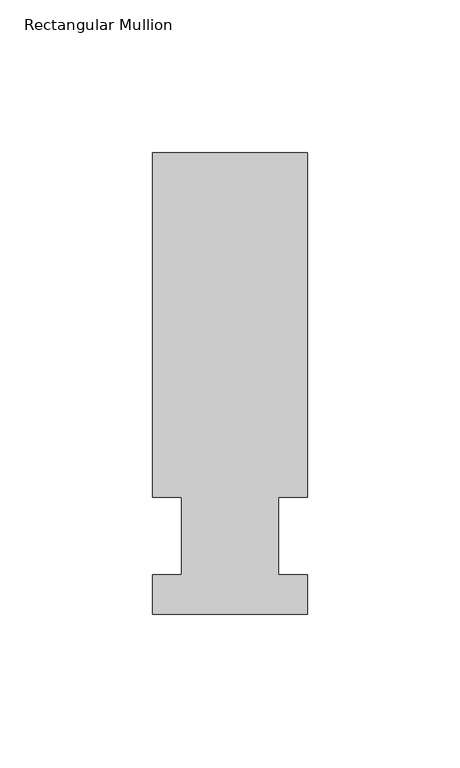
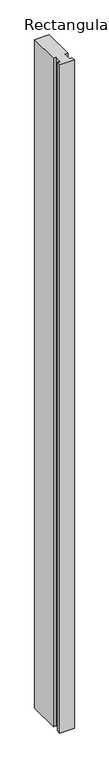
"""IFC4 building model written with IfcOpenShell, lengths in millimetres: member geometry, Rectangular Mullion."""

from ifc_helpers import new_model, si_unit, frame, origin, place, context, project, spatial, polyline, outline, extrude, source, transform, mapped, element, save


def rectangular_mullion_1aace051(model_context):
    return source(origin(), model_context, "Body", "SweptSolid", [
        extrude(outline(polyline([(-25.4, -25.5984375), (-25.4, -12.7), (-15.875, -12.7), (-15.875, 12.7), (-25.4, 12.7), (-25.4, 125.6109375), (25.4, 125.6109375), (25.4, 12.7), (15.875, 12.7), (15.875, -12.7), (25.4, -12.7), (25.4, -25.5984375), (-25.4, -25.5984375)])), frame((0.0, 0.0, -2463.8), z_axis=(0.0, 0.0, 1.0), x_axis=(1.0, 0.0, 0.0)), (0.0, 0.0, 1.0), 2463.8),
    ])


if __name__ == "__main__":
    model = new_model("IFC4")
    model_context = context("Model", 3, world=origin())
    ifc_project = project(units=[si_unit("LENGTHUNIT", "METRE", prefix="MILLI")], contexts=[model_context])
    site = spatial("IfcSite", under=ifc_project)
    building = spatial("IfcBuilding", under=site)
    placement = place(None, origin())
    rectangular_mullion_shape = rectangular_mullion_1aace051(model_context)
    element("IfcMember", 1, ObjectType="Rectangular Mullion", at=placement, inside=building, context=model_context, shape_type="MappedRepresentation", body=[
        mapped(rectangular_mullion_shape, transform((0.0, 0.0, 0.0), x_axis=(1.0, 0.0, 0.0), y_axis=(0.0, 1.0, 0.0), z_axis=(0.0, 0.0, 1.0))),
    ])
    save(model, "model.ifc")
